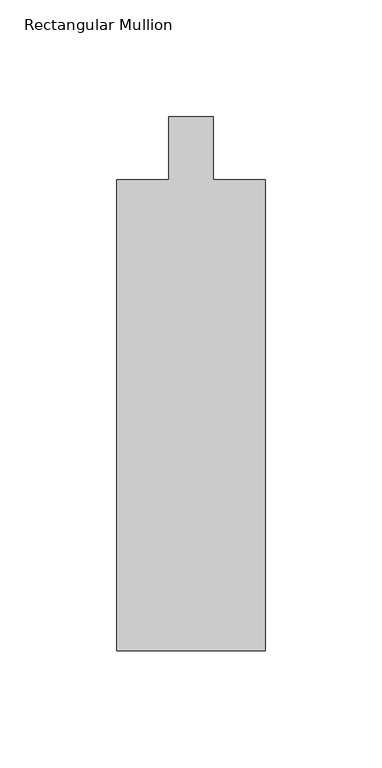
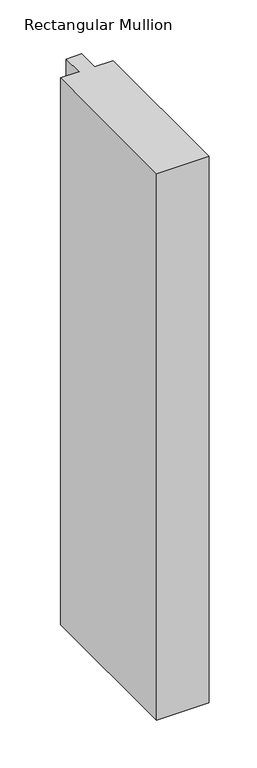
"""IFC4 building model written with IfcOpenShell, lengths in millimetres: member geometry, Rectangular Mullion."""

from ifc_helpers import new_model, si_unit, frame, origin, place, context, project, spatial, polyline, outline, extrude, source, transform, mapped, element, save


def rectangular_mullion_8a8c6ea4(model_context):
    return source(origin(), model_context, "Body", "SweptSolid", [
        extrude(outline(polyline([(31.75, -228.6), (-31.75, -228.6), (-31.75, -26.9875), (-9.525, -26.9875), (-9.525, 0.0), (9.525, 0.0), (9.525, -26.9875), (31.75, -26.9875), (31.75, -228.6)])), frame((0.0, 0.0, -698.5), z_axis=(0.0, 0.0, 1.0), x_axis=(1.0, 0.0, 0.0)), (0.0, 0.0, 1.0), 698.5),
    ])


if __name__ == "__main__":
    model = new_model("IFC4")
    model_context = context("Model", 3, world=origin())
    ifc_project = project(units=[si_unit("LENGTHUNIT", "METRE", prefix="MILLI")], contexts=[model_context])
    site = spatial("IfcSite", under=ifc_project)
    building = spatial("IfcBuilding", under=site)
    placement = place(None, origin())
    rectangular_mullion_shape = rectangular_mullion_8a8c6ea4(model_context)
    element("IfcMember", 1, ObjectType="Rectangular Mullion", at=placement, inside=building, context=model_context, shape_type="MappedRepresentation", body=[
        mapped(rectangular_mullion_shape, transform((0.0, 0.0, 0.0), x_axis=(1.0, 0.0, 0.0), y_axis=(0.0, 1.0, 0.0), z_axis=(0.0, 0.0, 1.0))),
    ])
    save(model, "model.ifc")
